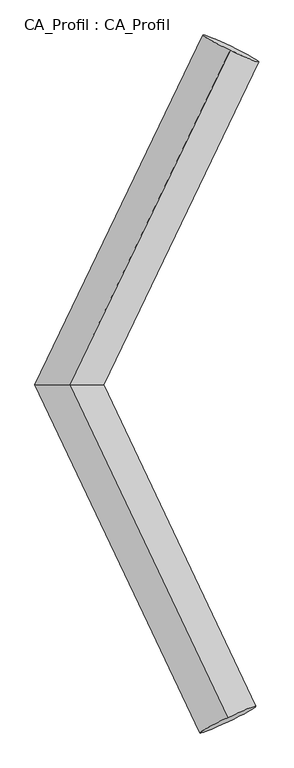
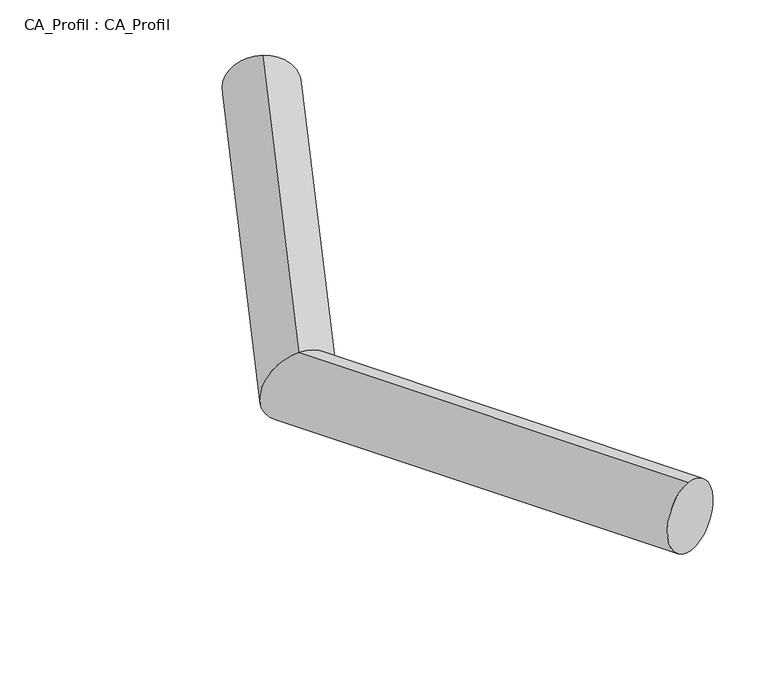
"""IFC4 building model written with IfcOpenShell, lengths in millimetres: plate geometry, CA_Profil : CA_Profil."""

from ifc_helpers import new_model, si_unit, frame, origin, place, context, project, spatial, circle_curve, ellipse_curve, source, transform, mapped, element, save
from ifc_brep_helpers import plane_surface, cylinder_surface, advanced_brep


def ca_profil_ca_profil_071a30a6(model_context):
    return source(origin(), model_context, "Body", "AdvancedBrep", [
        advanced_brep(
        [(6110.7837361, 8824.0097735, -155.4433313), (6105.1272171, 8792.0566221, 343.5025574), (4799.8708023, 6095.9172948, -345.0157044), (4809.6480116, 6096.0827052, 156.1620706), (6086.8334368, 3379.1671124, -154.6365627), (6081.3559796, 3411.5347925, 344.2846042)],
        [
            (0, 1, circle_curve(frame((6107.9554766, 8808.0331978, 94.0296131), z_axis=(0.4322675833630727, 0.8995760988830187, 0.06251062863112564), x_axis=(-0.01131303813904786, -0.06390630290461077, 0.9978917775075254)), 250.0)),
            (1, 0, circle_curve(frame((6107.9554766, 8808.0331978, 94.0296131), z_axis=(0.4322675833630727, 0.8995760988830187, 0.06251062863112564), x_axis=(-0.01131303813904786, -0.06390630290461077, 0.9978917775075254)), 250.0)),
            (0, 2),
            (2, 3, ellipse_curve(frame((4804.759407, 6096.0, -94.4268169), z_axis=(0.002783875268331072, 0.9999960511485284, -0.00038435119349526176), x_axis=(0.9894689610651274, -0.002698945506060321, 0.1447200427786453)), 277.5459037, 250.0)),
            (3, 1),
            (3, 2, ellipse_curve(frame((4804.759407, 6096.0, -94.4268169), z_axis=(0.002783875268331072, 0.9999960511485284, -0.00038435119349526176), x_axis=(0.9894689610651274, -0.002698945506060321, 0.1447200427786453)), 277.5459037, 250.0)),
            (4, 5, circle_curve(frame((6084.0947082, 3395.3509525, 94.8240207), z_axis=(0.4272524214907281, -0.9019205864270973, 0.06320303876642712), x_axis=(-0.010954914380564696, 0.06473536016828597, 0.9978423337355441)), 250.0)),
            (5, 4, circle_curve(frame((6084.0947082, 3395.3509525, 94.8240207), z_axis=(0.4272524214907281, -0.9019205864270973, 0.06320303876642712), x_axis=(-0.010954914380564696, 0.06473536016828597, 0.9978423337355441)), 250.0)),
            (2, 4),
            (5, 3),
        ],
        [
            plane_surface(frame((6107.9554766, 8825.3636521, -155.3689743), z_axis=(0.43226758336307375, 0.8995760988830183, 0.06251062863112503), x_axis=(0.9017453833391376, -0.43122769852773196, -0.029965574398422772))),
            cylinder_surface(frame((6107.9554766, 8808.0331978, 94.0296131), z_axis=(0.4322675833630727, 0.8995760988830187, 0.06251062863112564), x_axis=(-0.01131303813904786, -0.06390630290461077, 0.9978917775075254)), 250.0),
            plane_surface(frame((6084.0947082, 3377.8747953, -154.5643991), z_axis=(0.42725242149072884, -0.9019205864270968, 0.06320303876642751), x_axis=(0.9041323842946389, 0.42620722500051283, -0.02986692195479239))),
            cylinder_surface(frame((4804.759407, 6096.0, -94.4268169), z_axis=(-0.4272524214907281, 0.9019205864270973, -0.06320303876642712), x_axis=(-0.010954914380564696, 0.06473536016828597, 0.9978423337355441)), 250.0),
        ],
        [
            (0, [[1, 2]]),
            (1, [[-1, 3, 4, 5]]),
            (1, [[-2, -5, 6, -3]]),
            (2, [[7, 8]]),
            (3, [[-4, 9, -8, 10]]),
            (3, [[-6, -10, -7, -9]]),
        ],
    ),
    ])


if __name__ == "__main__":
    model = new_model("IFC4")
    model_context = context("Model", 3, world=origin())
    ifc_project = project(units=[si_unit("LENGTHUNIT", "METRE", prefix="MILLI")], contexts=[model_context])
    site = spatial("IfcSite", under=ifc_project)
    building = spatial("IfcBuilding", under=site)
    placement = place(None, origin())
    ca_profil_ca_profil_shape = ca_profil_ca_profil_071a30a6(model_context)
    element("IfcPlate", 1, ObjectType="CA_Profil : CA_Profil", at=placement, inside=building, context=model_context, shape_type="MappedRepresentation", body=[
        mapped(ca_profil_ca_profil_shape, transform((0.0, 0.0, 0.0), x_axis=(1.0, 0.0, 0.0), y_axis=(0.0, 1.0, 0.0), z_axis=(0.0, 0.0, 1.0))),
    ])
    save(model, "model.ifc")
